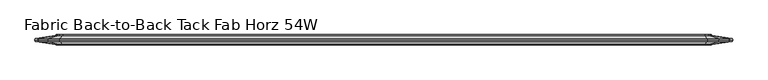
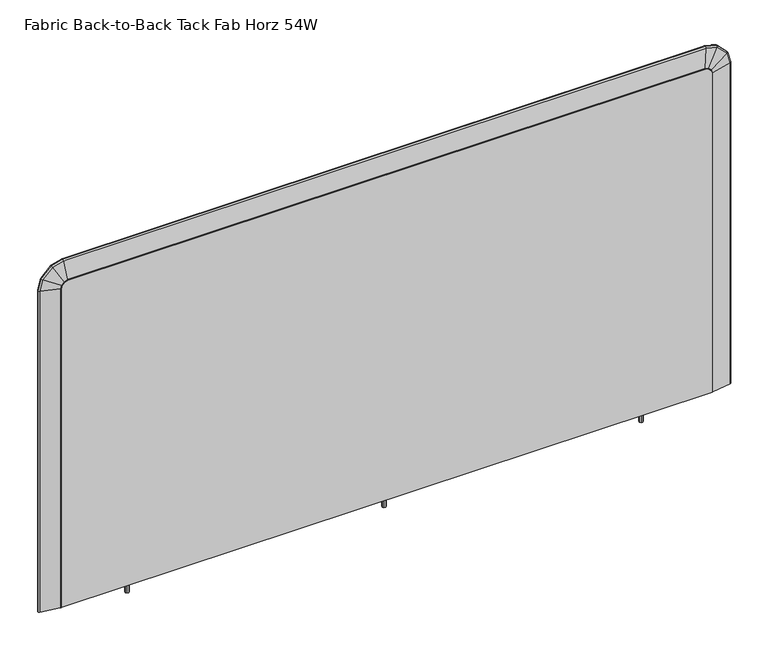
"""IFC4 building model written with IfcOpenShell, lengths in millimetres: furniture geometry, Fabric Back-to-Back Tack Fab Horz 54W."""

import ifcopenshell
import ifcopenshell.guid

model = None  # the IFC model being written
_history = None  # IfcOwnerHistory: only IFC2X3 demands one
_inside = {}  # id of a spatial element -> (the spatial element, [elements in it])
_under = {}  # id of a project, library or spatial element -> (it, [spatial elements below it])
_declared = {}  # id of a project -> (the project, [libraries it declares])
_typed = {}  # id of a type object -> (the type object, [elements of that type])
_made_of = {}  # id of a material, layer set ... -> (it, [elements and type objects made of it])


def new_model(schema):
    """Start an empty IFC model of exactly this schema.

    Asked for "IFC4X3", IfcOpenShell would pick the latest addendum, in which some entities
    have other attributes; the version numbers below select the first issue.
    IFC2X3 requires an IfcOwnerHistory on every rooted entity: one is made here for all.
    """
    global model, _history
    if schema == "IFC4X3":
        model = ifcopenshell.file(schema_version=(4, 3, 0, 0))
    else:
        model = ifcopenshell.file(schema=schema)
    _inside.clear()
    _under.clear()
    _declared.clear()
    _typed.clear()
    _made_of.clear()
    _history = None
    if model.schema == "IFC2X3":
        org = make("IfcOrganization", Name="unknown")
        user = make(
            "IfcPersonAndOrganization",
            ThePerson=make("IfcPerson", FamilyName="unknown"),
            TheOrganization=org,
        )
        app = make(
            "IfcApplication",
            ApplicationDeveloper=org,
            Version="unknown",
            ApplicationFullName="unknown",
            ApplicationIdentifier="unknown",
        )
        _history = make(
            "IfcOwnerHistory",
            OwningUser=user,
            OwningApplication=app,
            ChangeAction="ADDED",
            CreationDate=0,
        )
    return model


def make(cls, **values):
    """One entity of the class cls with the attributes given. An attribute that is None is left unset."""
    return model.create_entity(
        cls, **{name: value for name, value in values.items() if value is not None}
    )


def rooted(cls, **values):
    """An entity with a GlobalId (a new one), such as an element, a storey or a relation."""
    return make(cls, GlobalId=ifcopenshell.guid.new(), OwnerHistory=_history, **values)


def si_unit(unit_type, name, prefix=None):
    """IfcSIUnit, for example si_unit("LENGTHUNIT", "METRE", prefix="MILLI")."""
    return make("IfcSIUnit", UnitType=unit_type, Prefix=prefix, Name=name)


def assignment(units):
    """IfcUnitAssignment: the units of a project."""
    return None if units is None else make("IfcUnitAssignment", Units=units)


def point(xyz):
    """IfcCartesianPoint."""
    return None if xyz is None else make("IfcCartesianPoint", Coordinates=xyz)


def direction(xyz):
    """IfcDirection."""
    return None if xyz is None else make("IfcDirection", DirectionRatios=xyz)


def frame(location, z_axis=None, x_axis=None):
    """IfcAxis2Placement3D, a coordinate frame: its origin and axes. An axis left out is left unset."""
    return make(
        "IfcAxis2Placement3D",
        Location=point(location),
        Axis=direction(z_axis),
        RefDirection=direction(x_axis),
    )


def origin():
    """The frame at (0, 0, 0) with its axes left unset."""
    return frame((0.0, 0.0, 0.0))


def place(relative_to, where):
    """IfcLocalPlacement: puts the frame where relative to a parent placement (None: the world)."""
    return make(
        "IfcLocalPlacement", PlacementRelTo=relative_to, RelativePlacement=where
    )


def context(
    kind, dimensions, precision=None, world=None, true_north=None, identifier=None
):
    """IfcGeometricRepresentationContext, for example the 3D "Model" context."""
    return make(
        "IfcGeometricRepresentationContext",
        ContextIdentifier=identifier,
        ContextType=kind,
        CoordinateSpaceDimension=dimensions,
        Precision=precision,
        WorldCoordinateSystem=world,
        TrueNorth=true_north,
    )


def project(units=None, contexts=None):
    """IfcProject with its units and contexts."""
    return rooted(
        "IfcProject",
        Name="project",
        RepresentationContexts=contexts,
        UnitsInContext=assignment(units),
    )


def spatial(cls, under=None, at=None, **own):
    """A site, building, storey or space (cls), placed at a placement, below another one or the project."""
    s = rooted(cls, ObjectPlacement=at, **own)
    if under is not None:
        _under.setdefault(under.id(), (under, []))[1].append(s)
    return s


def polyline(points):
    """IfcPolyline through the points."""
    return make("IfcPolyline", Points=[point(p) for p in points])


def circle_curve(where, radius):
    """IfcCircle in the frame where."""
    return make("IfcCircle", Position=where, Radius=radius)


def ellipse_curve(where, semi_axis1, semi_axis2):
    """IfcEllipse in the frame where."""
    return make(
        "IfcEllipse", Position=where, SemiAxis1=semi_axis1, SemiAxis2=semi_axis2
    )


def outline(outer, holes=None, kind="AREA"):
    """IfcArbitraryClosedProfileDef: a profile drawn as a closed curve; with holes, ...WithVoids."""
    if holes is None:
        return make("IfcArbitraryClosedProfileDef", ProfileType=kind, OuterCurve=outer)
    return make(
        "IfcArbitraryProfileDefWithVoids",
        ProfileType=kind,
        OuterCurve=outer,
        InnerCurves=holes,
    )


def extrude(swept, where, along, depth):
    """IfcExtrudedAreaSolid: the profile swept, set in the frame where, extruded along a direction by depth."""
    return make(
        "IfcExtrudedAreaSolid",
        SweptArea=swept,
        Position=where,
        ExtrudedDirection=direction(along),
        Depth=depth,
    )


def faces_of(points, faces, orient=None, outer=None):
    """IfcFace entities. A face is a list of loops; a loop is a list of indices into points, from 0.

    orient and outer hold one flag for each loop. By default every Orientation is true, the
    first loop of a face is its IfcFaceOuterBound and the others are IfcFaceBound.
    """
    made = []
    for i, loops in enumerate(faces):
        bounds = []
        for j, loop in enumerate(loops):
            is_outer = j == 0 if outer is None else outer[i][j]
            bounds.append(
                make(
                    "IfcFaceOuterBound" if is_outer else "IfcFaceBound",
                    Bound=make("IfcPolyLoop", Polygon=[points[k] for k in loop]),
                    Orientation=True if orient is None else orient[i][j],
                )
            )
        made.append(make("IfcFace", Bounds=bounds))
    return made


def faceted_brep(points, faces, orient=None, outer=None, voids=None):
    """IfcFacetedBrep: a solid bounded by flat faces; with voids (closed shells), ...WithVoids."""
    shared = [point(p) for p in points]
    hull = make("IfcClosedShell", CfsFaces=faces_of(shared, faces, orient, outer))
    if voids is None:
        return make("IfcFacetedBrep", Outer=hull)
    return make(
        "IfcFacetedBrepWithVoids",
        Outer=hull,
        Voids=[
            make(cls, CfsFaces=faces_of(shared, fs, o, b)) for cls, fs, o, b in voids
        ],
    )


def shape(context_of_items, identifier, shape_type, items):
    """IfcShapeRepresentation: the items that make up one representation, for example the "Body"."""
    return make(
        "IfcShapeRepresentation",
        ContextOfItems=context_of_items,
        RepresentationIdentifier=identifier,
        RepresentationType=shape_type,
        Items=items,
    )


def source(mapping_origin, context_of_items, identifier, shape_type, items):
    """IfcRepresentationMap: a shape defined once, which mapped items show again and again."""
    return make(
        "IfcRepresentationMap",
        MappingOrigin=mapping_origin,
        MappedRepresentation=shape(context_of_items, identifier, shape_type, items),
    )


def transform(
    local_origin,
    x_axis=None,
    y_axis=None,
    z_axis=None,
    scale=None,
    scale2=None,
    scale3=None,
    uniform=True,
):
    """IfcCartesianTransformationOperator3D, or its non-uniform kind. x_axis, y_axis, z_axis: its Axis1, 2, 3."""
    if uniform:
        return make(
            "IfcCartesianTransformationOperator3D",
            Axis1=direction(x_axis),
            Axis2=direction(y_axis),
            LocalOrigin=point(local_origin),
            Scale=scale,
            Axis3=direction(z_axis),
        )
    return make(
        "IfcCartesianTransformationOperator3DnonUniform",
        Axis1=direction(x_axis),
        Axis2=direction(y_axis),
        LocalOrigin=point(local_origin),
        Scale=scale,
        Axis3=direction(z_axis),
        Scale2=scale2,
        Scale3=scale3,
    )


def mapped(mapping_source, mapping_target):
    """IfcMappedItem: shows the shape of a source again, moved by a transform."""
    return make(
        "IfcMappedItem", MappingSource=mapping_source, MappingTarget=mapping_target
    )


def made_of(thing, what):
    """Note that an element or type object is made of a material, layer set ...; save() writes the relation."""
    if what is not None:
        _made_of.setdefault(what.id(), (what, []))[1].append(thing)
    return thing


def element(
    cls,
    number,
    at=None,
    inside=None,
    cuts=None,
    type_object=None,
    material=None,
    context=None,
    identifier="Body",
    shape_type=None,
    held_by="IfcProductDefinitionShape",
    body=None,
    shapes=None,
    **own,
):
    """One element of the class cls, such as IfcWall. Its Tag is "e" and its number.

    at: its placement. inside: the storey or other place that contains it. cuts: it is an
    opening in that element (IfcRelVoidsElement). A single representation is given by context,
    identifier, shape_type and body (its items); several are given by shapes. held_by: the class
    of the entity that holds the representations. save() writes the other relations.
    """
    e = rooted(cls, Tag="e%d" % number, ObjectPlacement=at, **own)
    if body is not None:
        shapes = [shape(context, identifier, shape_type, body)]
    if shapes is not None:
        e.Representation = make(held_by, Representations=shapes)
    if inside is not None:
        _inside.setdefault(inside.id(), (inside, []))[1].append(e)
    if cuts is not None:
        rooted(
            "IfcRelVoidsElement", RelatingBuildingElement=cuts, RelatedOpeningElement=e
        )
    if type_object is not None:
        _typed.setdefault(type_object.id(), (type_object, []))[1].append(e)
    return made_of(e, material)


def aggregate(whole, parts):
    """IfcRelAggregates: a whole, such as a stair, and the parts it consists of."""
    return rooted("IfcRelAggregates", RelatingObject=whole, RelatedObjects=parts)


def save(model, path):
    """Write the relations noted so far, then the file.

    IfcRelAggregates (storeys below a building ...), IfcRelContainedInSpatialStructure (elements
    in a storey), IfcRelDefinesByType, IfcRelAssociatesMaterial and IfcRelDeclares: one each for
    every whole, place, type object, material and project.
    """
    for whole, parts in _under.values():
        aggregate(whole, parts)
    for where, things in _inside.values():
        rooted(
            "IfcRelContainedInSpatialStructure",
            RelatedElements=things,
            RelatingStructure=where,
        )
    for kind, things in _typed.values():
        rooted("IfcRelDefinesByType", RelatedObjects=things, RelatingType=kind)
    for what, things in _made_of.values():
        rooted("IfcRelAssociatesMaterial", RelatedObjects=things, RelatingMaterial=what)
    for by, libraries in _declared.values():
        rooted("IfcRelDeclares", RelatingContext=by, RelatedDefinitions=libraries)
    model.write(path)


def plane_surface(at):
    """IfcPlane: the flat surface through the origin of the frame at, square to its z axis."""
    return make("IfcPlane", Position=at)


def cylinder_surface(at, radius):
    """IfcCylindricalSurface: all points at the distance radius from the z axis of the frame at."""
    return make("IfcCylindricalSurface", Position=at, Radius=radius)


def advanced_brep(points, edges, surfaces, faces):
    """IfcAdvancedBrep: a solid bounded by faces that lie on surfaces and meet in shared edges.

    An edge is (start, end): straight between two places in points (the first is 0);
    or (start, end, curve); or (start, end, curve, False) where it runs against its curve.
    A face is (place in surfaces, loops), or (place, loops, False) where it looks against
    its surface's normal. A loop lists edges by number (the first is 1), with a minus sign
    where the edge is run from its end to its start. The first loop is the outer one.
    """
    corners = [point(p) for p in points]
    vertices = [make("IfcVertexPoint", VertexGeometry=c) for c in corners]
    made = []
    for start, end, *more in edges:
        made.append(
            make(
                "IfcEdgeCurve",
                EdgeStart=vertices[start],
                EdgeEnd=vertices[end],
                EdgeGeometry=more[0] if more else make("IfcPolyline", Points=[corners[start], corners[end]]),
                SameSense=more[1] if len(more) > 1 else True,
            )
        )
    hull = []
    for where, loops, *sense in faces:
        bounds = []
        for j, loop in enumerate(loops):
            ring = [make("IfcOrientedEdge", EdgeElement=made[abs(k) - 1], Orientation=k > 0) for k in loop]
            bounds.append(
                make(
                    "IfcFaceOuterBound" if j == 0 else "IfcFaceBound",
                    Bound=make("IfcEdgeLoop", EdgeList=ring),
                    Orientation=True,
                )
            )
        hull.append(make("IfcAdvancedFace", Bounds=bounds, FaceSurface=surfaces[where], SameSense=sense[0] if sense else True))
    return make("IfcAdvancedBrep", Outer=make("IfcClosedShell", CfsFaces=hull))


def fabric_back_to_back_tack_fab_horz_54w_6b282f95(model_context):
    return source(origin(), model_context, "Body", "SolidModel", [
        faceted_brep([(182.0608047, -24.5352982, 459.8223955), (182.0608047, -38.5848849, 459.8223955), (161.465212, -38.5848849, 459.8223955), (161.465212, -24.5352982, 459.8223955), (161.465212, -24.5352982, 453.564432), (182.0608047, -24.5352982, 453.564432), (161.465212, -38.5848849, 453.564432), (182.0608047, -38.5848849, 453.564432), (41.35374, -21.6312787, 453.564432), (41.35374, -21.6312787, 1111.5510233), (43.0552145, -21.6312787, 1117.9009991), (47.7037408, -21.6312787, 1122.5494799), (54.0537392, -21.6312787, 1124.2509748), (1298.6537158, -21.6312787, 1124.2509748), (1305.0036916, -21.6312787, 1122.5494799), (1309.652245, -21.6312787, 1117.9009991), (1311.35374, -21.6312787, 1111.5510233), (1311.35374, -21.6312787, 453.564432), (41.35374, -41.6655198, 453.564432), (1311.35374, -41.6655198, 453.564432), (1311.35374, -41.6655198, 1111.5510233), (1309.652245, -41.6655198, 1117.9009991), (1305.0036916, -41.6655198, 1122.5494799), (1298.6537158, -41.6655198, 1124.2509748), (54.0537392, -41.6655198, 1124.2509748), (47.7037408, -41.6655198, 1122.5494799), (43.0552145, -41.6655198, 1117.9009991), (41.35374, -41.6655198, 1111.5510233), (688.8618407, -24.5352982, 453.564432), (663.491048, -24.5352982, 453.564432), (663.491048, -38.5848849, 453.564432), (688.8618407, -38.5848849, 453.564432), (1191.0452878, -24.5352982, 453.564432), (1165.6744951, -24.5352982, 453.564432), (1165.6744951, -38.5848849, 453.564432), (1191.0452878, -38.5848849, 453.564432), (663.491048, -24.5352982, 459.8223955), (688.8618407, -24.5352982, 459.8223955), (688.8618407, -38.5848849, 459.8223955), (663.491048, -38.5848849, 459.8223955), (1165.6744951, -24.5352982, 459.8223955), (1191.0452878, -24.5352982, 459.8223955), (1191.0452878, -38.5848849, 459.8223955), (1165.6744951, -38.5848849, 459.8223955)], [[[0, 1, 2, 3]], [[0, 3, 4, 5]], [[3, 2, 6, 4]], [[2, 1, 7, 6]], [[1, 0, 5, 7]], [[8, 9, 10, 11, 12, 13, 14, 15, 16, 17]], [[18, 19, 20, 21, 22, 23, 24, 25, 26, 27]], [[9, 8, 18, 27]], [[10, 9, 27, 26]], [[11, 10, 26, 25]], [[12, 11, 25, 24]], [[13, 12, 24, 23]], [[14, 13, 23, 22]], [[15, 14, 22, 21]], [[16, 15, 21, 20]], [[17, 16, 20, 19]], [[8, 17, 19, 18], [5, 4, 6, 7], [28, 29, 30, 31], [32, 33, 34, 35]], [[36, 37, 38, 39]], [[37, 36, 29, 28]], [[38, 37, 28, 31]], [[39, 38, 31, 30]], [[36, 39, 30, 29]], [[40, 41, 42, 43]], [[41, 40, 33, 32]], [[42, 41, 32, 35]], [[43, 42, 35, 34]], [[40, 43, 34, 33]]]),
        extrude(outline(polyline([(1177.4115069, -27.7980412), (1180.4230782, -28.1945209), (1182.2722204, -30.6043713), (1181.8757329, -33.6159343), (1179.4658873, -35.4650775), (1176.454316, -35.0685977), (1174.6051738, -32.6587474), (1175.0016613, -29.6471844), (1177.4115069, -27.7980412)]), holes=[polyline([(1177.4826636, -28.0636008), (1175.2397553, -29.7846483), (1174.8707337, -32.5875912), (1176.5917799, -34.8305034), (1179.3947306, -35.1995178), (1181.6376389, -33.4784704), (1182.0066605, -30.6755274), (1180.2856143, -28.4326153), (1177.4826636, -28.0636008)])]), frame((0.0, 0.0, 433.5018), z_axis=(0.0, 0.0, 1.0), x_axis=(1.0, 0.0, 0.0)), (0.0, 0.0, 1.0), 26.3205955),
        extrude(outline(polyline([(173.0545058, -27.7980412), (176.0660771, -28.1945209), (177.9152193, -30.6043713), (177.5187318, -33.6159343), (175.1088862, -35.4650775), (172.0973149, -35.0685977), (170.2481727, -32.6587474), (170.6446602, -29.6471844), (173.0545058, -27.7980412)]), holes=[polyline([(173.1256625, -28.0636008), (170.8827542, -29.7846483), (170.5137326, -32.5875912), (172.2347788, -34.8305034), (175.0377295, -35.1995178), (177.2806378, -33.4784704), (177.6496594, -30.6755274), (175.9286132, -28.4326153), (173.1256625, -28.0636008)])]), frame((0.0, 0.0, 433.5018), z_axis=(0.0, 0.0, 1.0), x_axis=(1.0, 0.0, 0.0)), (0.0, 0.0, 1.0), 26.3205955),
        extrude(outline(polyline([(675.2280597, -27.7980412), (678.239631, -28.1945209), (680.0887732, -30.6043713), (679.6922858, -33.6159343), (677.2824401, -35.4650775), (674.2708689, -35.0685977), (672.4217266, -32.6587474), (672.8182141, -29.6471844), (675.2280597, -27.7980412)]), holes=[polyline([(675.2992164, -28.0636008), (673.0563081, -29.7846483), (672.6872866, -32.5875912), (674.4083327, -34.8305034), (677.2112834, -35.1995178), (679.4541917, -33.4784704), (679.8232133, -30.6755274), (678.1021672, -28.4326153), (675.2992164, -28.0636008)])]), frame((0.0, 0.0, 433.5018), z_axis=(0.0, 0.0, 1.0), x_axis=(1.0, 0.0, 0.0)), (0.0, 0.0, 1.0), 26.3205955),
        advanced_brep(
        [(41.35374, -40.3955198, 452.770682), (40.527722, -40.3955198, 452.770682), (39.2303702, -40.3003466, 452.770682), (2.1950955, -34.8371601, 452.770682), (0.2344281, -32.1683735, 452.770682), (1.4359994, -31.9712076, 452.770682), (0.2308623, -31.6483991, 452.770682), (2.1917528, -29.0070421, 452.770682), (39.1963882, -23.5483754, 452.770682), (40.4937399, -23.4532022, 452.770682), (41.35374, -23.4532022, 452.770682), (1311.35374, -40.3955198, 452.770682), (1311.35374, -23.4532022, 452.770682), (1312.2137401, -23.4532022, 452.770682), (1313.5110918, -23.5483754, 452.770682), (1350.5157272, -29.0070421, 452.770682), (1352.4766177, -31.6483991, 452.770682), (1351.2714806, -31.9712076, 452.770682), (1352.4730519, -32.1683735, 452.770682), (1350.5123845, -34.8371601, 452.770682), (1313.4771098, -40.3003466, 452.770682), (1312.179758, -40.3955198, 452.770682), (1311.35374, -40.3955198, 1110.7572733), (1311.35374, -23.4532022, 1110.7572733), (1309.652245, -23.4532022, 1117.1072491), (1305.0036916, -23.4532022, 1121.7557299), (1298.6537158, -23.4532022, 1123.4572248), (54.0537392, -23.4532022, 1123.4572248), (47.7037408, -23.4532022, 1121.7557299), (43.0552145, -23.4532022, 1117.1072491), (41.35374, -23.4532022, 1110.7572733), (40.4937399, -23.4532022, 1110.8704947), (42.2841603, -23.4532022, 1117.5524202), (47.2585733, -23.4532022, 1122.5267846), (53.9405169, -23.4532022, 1124.3172249), (1298.7669385, -23.4532022, 1124.3172249), (1305.448858, -23.4532022, 1122.5267846), (1310.4232979, -23.4532022, 1117.5524225), (1312.2137401, -23.4532022, 1110.870496), (1313.5110918, -23.5483754, 1111.0412979), (1350.5157272, -29.0070421, 1115.9131172), (1352.4766177, -31.6483991, 1116.1712769), (1351.2714806, -31.9712076, 1116.0126154), (1352.4730519, -32.1683735, 1116.1708075), (1350.5123845, -34.8371601, 1115.9126772), (1313.4771098, -40.3003466, 1111.036824), (1312.179758, -40.3955198, 1110.8660221), (1310.3928305, -40.3955198, 1117.5348319), (1305.4312677, -40.3955198, 1122.4963171), (1298.7624646, -40.3955198, 1124.2832429), (53.9449908, -40.3955198, 1124.2832429), (47.2761636, -40.3955198, 1122.4963171), (42.3146278, -40.3955198, 1117.5348297), (40.527722, -40.3955198, 1110.8660209), (41.35374, -40.3955198, 1110.7572733), (43.0552145, -40.3955198, 1117.1072491), (47.7037408, -40.3955198, 1121.7557299), (54.0537392, -40.3955198, 1123.4572248), (1298.6537158, -40.3955198, 1123.4572248), (1305.0036916, -40.3955198, 1121.7557299), (1309.652245, -40.3955198, 1117.1072491), (1311.5864685, -23.5483754, 1118.2239882), (1344.7638272, -29.0070421, 1137.3791963), (1346.5219087, -31.6483991, 1138.3942385), (1345.4414153, -31.9712076, 1137.7704072), (1346.5187118, -32.1683735, 1138.3923927), (1344.7608302, -34.8371601, 1137.377466), (1311.5560011, -40.3003466, 1118.2063976), (1306.1204132, -23.5483754, 1123.689958), (1325.2753219, -29.0070421, 1156.8673969), (1326.2903482, -31.6483991, 1158.6254827), (1325.6665266, -31.9712076, 1157.5449867), (1326.2885024, -32.1683735, 1158.6222858), (1325.2735916, -34.8371601, 1156.8643999), (1306.1028229, -40.3003466, 1123.6594906), (1298.9377404, -23.5483754, 1125.6145767), (1303.8095597, -29.0070421, 1162.619212), (1304.0677194, -31.6483991, 1164.5801025), (1303.9090579, -31.9712076, 1163.3749655), (1304.06725, -32.1683735, 1164.5765368), (1303.8091197, -34.8371601, 1162.6158693), (1298.9332665, -40.3003466, 1125.5805946), (53.7697156, -23.5483754, 1125.6145767), (48.8979131, -29.0070421, 1162.619212), (48.6397543, -31.6483991, 1164.5801025), (48.7984152, -31.9712076, 1163.3749655), (48.6402238, -32.1683735, 1164.5765368), (48.8983532, -34.8371601, 1162.6158693), (53.7741895, -40.3003466, 1125.5805946), (46.5870166, -23.5483754, 1123.6899579), (27.4320643, -29.0070421, 1156.8673943), (26.4170356, -31.6483991, 1158.62548), (27.0408586, -31.9712076, 1157.544984), (26.4188814, -32.1683735, 1158.622283), (27.4337946, -34.8371601, 1156.8643973), (46.6046069, -40.3003466, 1123.6594904), (41.1209877, -23.5483754, 1118.2239824), (7.9435719, -29.0070421, 1137.3790923), (6.1854873, -31.6483991, 1138.3941293), (7.2659826, -31.9712076, 1137.7703012), (6.1886843, -32.1683735, 1138.3922835), (7.9465689, -34.8371601, 1137.377362), (41.1514552, -40.3003466, 1118.2063919), (39.1963882, -23.5483754, 1111.0412946), (2.1917528, -29.0070421, 1115.9130574), (0.2308623, -31.6483991, 1116.1712141), (1.4359994, -31.9712076, 1116.0125545), (0.2344281, -32.1683735, 1116.1707447), (2.1950955, -34.8371601, 1115.9126174), (39.2303702, -40.3003466, 1111.0368208)],
        [
            (0, 1),
            (1, 2, circle_curve(frame((40.527722, -31.5055198, 452.770682), z_axis=(0.0, 0.0, -1.0), x_axis=(1.0, 0.0, 0.0)), 8.89)),
            (2, 3),
            (3, 4, circle_curve(frame((2.5350157, -32.5328209, 452.770682), z_axis=(0.0, 0.0, -1.0), x_axis=(1.0, 0.0, 0.0)), 2.3292757)),
            (4, 5),
            (5, 6),
            (6, 7, circle_curve(frame((2.5311018, -31.3075093, 452.770682), z_axis=(0.0, 0.0, -1.0), x_axis=(1.0, 0.0, 0.0)), 2.3253618)),
            (7, 8),
            (8, 9, circle_curve(frame((40.4937399, -32.3432022, 452.770682), z_axis=(0.0, 0.0, -1.0), x_axis=(1.0, 0.0, 0.0)), 8.89)),
            (9, 10),
            (10, 0),
            (11, 12),
            (12, 13),
            (13, 14, circle_curve(frame((1312.2137401, -32.3432022, 452.770682), z_axis=(0.0, 0.0, -1.0), x_axis=(-1.0, 0.0, 0.0)), 8.89)),
            (14, 15),
            (15, 16, circle_curve(frame((1350.1763782, -31.3075093, 452.770682), z_axis=(0.0, 0.0, -1.0), x_axis=(-1.0, 0.0, 0.0)), 2.3253618)),
            (16, 17),
            (17, 18),
            (18, 19, circle_curve(frame((1350.1724643, -32.5328209, 452.770682), z_axis=(0.0, 0.0, -1.0), x_axis=(-1.0, 0.0, 0.0)), 2.3292757)),
            (19, 20),
            (20, 21, circle_curve(frame((1312.179758, -31.5055198, 452.770682), z_axis=(0.0, 0.0, -1.0), x_axis=(-1.0, 0.0, 0.0)), 8.89)),
            (21, 11),
            (11, 22),
            (22, 23),
            (23, 12),
            (23, 24),
            (24, 25),
            (25, 26),
            (26, 27),
            (27, 28),
            (28, 29),
            (29, 30),
            (30, 10),
            (9, 31),
            (31, 32),
            (32, 33),
            (33, 34),
            (34, 35),
            (35, 36),
            (36, 37),
            (37, 38),
            (38, 13),
            (38, 39, ellipse_curve(frame((1312.2137401, -32.3432022, 1110.870496), z_axis=(0.1305279474874437, 0.0, -0.9914446302868937), x_axis=(-0.9914446302868937, 0.0, -0.13052794748744298)), 8.9667135, 8.89)),
            (39, 14),
            (39, 40),
            (40, 15),
            (40, 41, ellipse_curve(frame((1350.1763782, -31.3075093, 1115.8684405), z_axis=(0.1305279474874437, 0.0, -0.9914446302868937), x_axis=(-0.9914446302868937, 0.0, -0.13052794748744298)), 2.3454278, 2.3253618)),
            (41, 16),
            (41, 42),
            (42, 17),
            (42, 43),
            (43, 18),
            (43, 44, ellipse_curve(frame((1350.1724643, -32.5328209, 1115.8679252), z_axis=(0.1305279474874437, 0.0, -0.9914446302868937), x_axis=(-0.9914446302868937, 0.0, -0.13052794748744298)), 2.3493754, 2.3292757)),
            (44, 19),
            (44, 45),
            (45, 20),
            (45, 46, ellipse_curve(frame((1312.179758, -31.5055198, 1110.8660221), z_axis=(0.1305279474874437, 0.0, -0.9914446302868937), x_axis=(-0.9914446302868937, 0.0, -0.13052794748744298)), 8.9667135, 8.89)),
            (46, 21),
            (46, 47),
            (47, 48),
            (48, 49),
            (49, 50),
            (50, 51),
            (51, 52),
            (52, 53),
            (53, 1),
            (0, 54),
            (54, 55),
            (55, 56),
            (56, 57),
            (57, 58),
            (58, 59),
            (59, 60),
            (60, 22),
            (60, 24),
            (37, 61, ellipse_curve(frame((1310.4232979, -32.3432022, 1117.5524225), z_axis=(0.5000049178456961, 0.0, -0.8660225644462844), x_axis=(-0.8660225644462847, 0.0, -0.5000049178456953)), 9.2036105, 8.89)),
            (61, 39),
            (61, 62),
            (62, 40),
            (62, 63, ellipse_curve(frame((1344.459576, -31.3075093, 1137.2035345), z_axis=(0.5000049178456961, 0.0, -0.8660225644462844), x_axis=(-0.8660225644462847, 0.0, -0.5000049178456953)), 2.407393, 2.3253618)),
            (63, 41),
            (63, 64),
            (64, 42),
            (64, 65),
            (65, 43),
            (65, 66, ellipse_curve(frame((1344.456067, -32.5328209, 1137.2015086), z_axis=(0.5000049178456961, 0.0, -0.8660225644462844), x_axis=(-0.8660225644462847, 0.0, -0.5000049178456953)), 2.411445, 2.3292757)),
            (66, 44),
            (66, 67),
            (67, 45),
            (67, 47, ellipse_curve(frame((1310.3928305, -31.5055198, 1117.5348319), z_axis=(0.5000049178456961, 0.0, -0.8660225644462844), x_axis=(-0.8660225644462847, 0.0, -0.5000049178456953)), 9.2036105, 8.89)),
            (59, 25),
            (36, 68, ellipse_curve(frame((1305.448858, -32.3432022, 1122.5267846), z_axis=(0.8660264726880769, 0.0, -0.4999981486000199), x_axis=(-0.49999814860001957, 0.0, -0.8660264726880771)), 9.2035912, 8.89)),
            (68, 61),
            (68, 69),
            (69, 62),
            (69, 70, ellipse_curve(frame((1325.0996629, -31.3075093, 1156.5631451), z_axis=(0.8660264726880769, 0.0, -0.4999981486000199), x_axis=(-0.49999814860001957, 0.0, -0.8660264726880771)), 2.407388, 2.3253618)),
            (70, 63),
            (70, 71),
            (71, 64),
            (71, 72),
            (72, 65),
            (72, 73, ellipse_curve(frame((1325.0976369, -32.5328209, 1156.559636), z_axis=(0.8660264726880769, 0.0, -0.4999981486000199), x_axis=(-0.49999814860001957, 0.0, -0.8660264726880771)), 2.4114399, 2.3292757)),
            (73, 66),
            (73, 74),
            (74, 67),
            (74, 48, ellipse_curve(frame((1305.4312677, -31.5055198, 1122.4963171), z_axis=(0.8660264726880769, 0.0, -0.4999981486000199), x_axis=(-0.49999814860001957, 0.0, -0.8660264726880771)), 9.2035912, 8.89)),
            (58, 26),
            (35, 75, ellipse_curve(frame((1298.7669385, -32.3432022, 1124.3172249), z_axis=(0.9914446302856296, 0.0, -0.1305279474970452), x_axis=(-0.13052794749704538, 0.0, -0.9914446302856295)), 8.9667135, 8.89)),
            (75, 68),
            (75, 76),
            (76, 69),
            (76, 77, ellipse_curve(frame((1303.764883, -31.3075093, 1162.2798631), z_axis=(0.9914446302856296, 0.0, -0.1305279474970452), x_axis=(-0.13052794749704538, 0.0, -0.9914446302856295)), 2.3454278, 2.3253618)),
            (77, 70),
            (77, 78),
            (78, 71),
            (78, 79),
            (79, 72),
            (79, 80, ellipse_curve(frame((1303.7643677, -32.5328209, 1162.2759492), z_axis=(0.9914446302856296, 0.0, -0.1305279474970452), x_axis=(-0.13052794749704538, 0.0, -0.9914446302856295)), 2.3493754, 2.3292757)),
            (80, 73),
            (80, 81),
            (81, 74),
            (81, 49, ellipse_curve(frame((1298.7624646, -31.5055198, 1124.2832429), z_axis=(0.9914446302856296, 0.0, -0.1305279474970452), x_axis=(-0.13052794749704538, 0.0, -0.9914446302856295)), 8.9667135, 8.89)),
            (57, 27),
            (34, 82, ellipse_curve(frame((53.9405169, -32.3432022, 1124.3172249), z_axis=(0.9914446886366662, 0.0, 0.13052750428221627), x_axis=(0.13052750428221643, 0.0, -0.9914446886366662)), 8.966713, 8.89)),
            (82, 75),
            (82, 83),
            (83, 76),
            (83, 84, ellipse_curve(frame((48.9425897, -31.3075093, 1162.2798631), z_axis=(0.9914446886366662, 0.0, 0.13052750428221627), x_axis=(0.13052750428221643, 0.0, -0.9914446886366662)), 2.3454276, 2.3253618)),
            (84, 77),
            (84, 85),
            (85, 78),
            (85, 86),
            (86, 79),
            (86, 87, ellipse_curve(frame((48.943105, -32.5328209, 1162.2759492), z_axis=(0.9914446886366662, 0.0, 0.13052750428221627), x_axis=(0.13052750428221643, 0.0, -0.9914446886366662)), 2.3493753, 2.3292757)),
            (87, 80),
            (87, 88),
            (88, 81),
            (88, 50, ellipse_curve(frame((53.9449908, -31.5055198, 1124.2832429), z_axis=(0.9914446886366662, 0.0, 0.13052750428221627), x_axis=(0.13052750428221643, 0.0, -0.9914446886366662)), 8.966713, 8.89)),
            (56, 28),
            (33, 89, ellipse_curve(frame((47.2585733, -32.3432022, 1122.5267846), z_axis=(0.8660259634188125, 0.0, 0.49999903068357804), x_axis=(0.49999903068357804, 0.0, -0.8660259634188127)), 9.203596, 8.89)),
            (89, 82),
            (89, 90),
            (90, 83),
            (90, 91, ellipse_curve(frame((27.6077237, -31.3075093, 1156.5631424), z_axis=(0.8660259634188125, 0.0, 0.49999903068357804), x_axis=(0.49999903068357804, 0.0, -0.8660259634188127)), 2.4073892, 2.3253618)),
            (91, 84),
            (91, 92),
            (92, 85),
            (92, 93),
            (93, 86),
            (93, 94, ellipse_curve(frame((27.6097497, -32.5328209, 1156.5596333), z_axis=(0.8660259634188125, 0.0, 0.49999903068357804), x_axis=(0.49999903068357804, 0.0, -0.8660259634188127)), 2.4114412, 2.3292757)),
            (94, 87),
            (94, 95),
            (95, 88),
            (95, 51, ellipse_curve(frame((47.2761636, -31.5055198, 1122.4963171), z_axis=(0.8660259634188125, 0.0, 0.49999903068357804), x_axis=(0.49999903068357804, 0.0, -0.8660259634188127)), 9.203596, 8.89)),
            (55, 29),
            (32, 96, ellipse_curve(frame((42.2841603, -32.3432022, 1117.5524202), z_axis=(0.5000023482671837, 0.0, 0.8660240480075031), x_axis=(0.8660240480075027, 0.0, -0.5000023482671845)), 9.2036106, 8.89)),
            (96, 89),
            (96, 97),
            (97, 90),
            (97, 98, ellipse_curve(frame((8.2478236, -31.3075093, 1137.2034315), z_axis=(0.5000023482671837, 0.0, 0.8660240480075031), x_axis=(0.8660240480075027, 0.0, -0.5000023482671845)), 2.4073931, 2.3253618)),
            (98, 91),
            (98, 99),
            (99, 92),
            (99, 100),
            (100, 93),
            (100, 101, ellipse_curve(frame((8.2513326, -32.5328209, 1137.2014055), z_axis=(0.5000023482671837, 0.0, 0.8660240480075031), x_axis=(0.8660240480075027, 0.0, -0.5000023482671845)), 2.411445, 2.3292757)),
            (101, 94),
            (101, 102),
            (102, 95),
            (102, 52, ellipse_curve(frame((42.3146278, -31.5055198, 1117.5348297), z_axis=(0.5000023482671837, 0.0, 0.8660240480075031), x_axis=(0.8660240480075027, 0.0, -0.5000023482671845)), 9.2036106, 8.89)),
            (54, 30),
            (31, 103, ellipse_curve(frame((40.4937399, -32.3432022, 1110.8704947), z_axis=(0.13052645881328268, 0.0, 0.9914448262761093), x_axis=(0.9914448262761093, 0.0, -0.13052645881328304)), 8.9667118, 8.89)),
            (103, 96),
            (103, 104),
            (104, 97),
            (104, 105, ellipse_curve(frame((2.5311018, -31.3075093, 1115.8683812), z_axis=(0.13052645881328268, 0.0, 0.9914448262761093), x_axis=(0.9914448262761093, 0.0, -0.13052645881328304)), 2.3454273, 2.3253618)),
            (105, 98),
            (105, 106),
            (106, 99),
            (106, 107),
            (107, 100),
            (107, 108, ellipse_curve(frame((2.5350157, -32.5328209, 1115.8678659), z_axis=(0.13052645881328268, 0.0, 0.9914448262761093), x_axis=(0.9914448262761093, 0.0, -0.13052645881328304)), 2.349375, 2.3292757)),
            (108, 101),
            (108, 109),
            (109, 102),
            (109, 53, ellipse_curve(frame((40.527722, -31.5055198, 1110.8660209), z_axis=(0.13052645881328268, 0.0, 0.9914448262761093), x_axis=(0.9914448262761093, 0.0, -0.13052645881328304)), 8.9667118, 8.89)),
            (8, 103),
            (7, 104),
            (6, 105),
            (5, 106),
            (4, 107),
            (3, 108),
            (2, 109),
        ],
        [
            plane_surface(frame((41.35374, -22.3842497, 452.770682), z_axis=(0.0, 0.0, -1.0), x_axis=(0.0, -1.0, 0.0))),
            plane_surface(frame((1311.35374, -22.3842497, 452.770682), z_axis=(0.0, 0.0, -1.0), x_axis=(0.0, -1.0, 0.0))),
            plane_surface(frame((1311.35374, -40.3955198, 452.770682), z_axis=(-1.0, 0.0, 0.0), x_axis=(0.0, 0.0, 1.0))),
            plane_surface(frame((1311.35374, -23.4532022, 452.770682), z_axis=(0.0, 1.0, 0.0), x_axis=(0.0, 0.0, 1.0))),
            cylinder_surface(frame((1312.2137401, -32.3432022, 452.770682), z_axis=(0.0, 0.0, -1.0), x_axis=(-1.0, 0.0, 0.0)), 8.89),
            plane_surface(frame((1313.5110918, -23.5483754, 452.770682), z_axis=(0.14593382959754853, 0.989294353253365, 0.0), x_axis=(0.0, 0.0, 1.0))),
            cylinder_surface(frame((1350.1763782, -31.3075093, 452.770682), z_axis=(0.0, 0.0, -1.0), x_axis=(-1.0, 0.0, 0.0)), 2.3253618),
            plane_surface(frame((1352.4766177, -31.6483991, 452.770682), z_axis=(0.2587390196457306, -0.9659472654926698, 0.0), x_axis=(0.0, 0.0, 1.0))),
            plane_surface(frame((1351.2714806, -31.9712076, 452.770682), z_axis=(0.1619245654582498, 0.9868031389801905, 0.0), x_axis=(0.0, 0.0, 1.0))),
            cylinder_surface(frame((1350.1724643, -32.5328209, 452.770682), z_axis=(0.0, 0.0, -1.0), x_axis=(-1.0, 0.0, 0.0)), 2.3292757),
            plane_surface(frame((1350.5123845, -34.8371601, 452.770682), z_axis=(0.14593382959753973, -0.9892943532533662, 0.0), x_axis=(0.0, 0.0, 1.0))),
            cylinder_surface(frame((1312.179758, -31.5055198, 452.770682), z_axis=(0.0, 0.0, -1.0), x_axis=(-1.0, 0.0, 0.0)), 8.89),
            plane_surface(frame((1312.179758, -40.3955198, 452.770682), z_axis=(0.0, -1.0, 0.0), x_axis=(0.0, 0.0, 1.0))),
            plane_surface(frame((1311.35374, -40.3955198, 1110.7572733), z_axis=(-0.9659249098494345, 0.0, -0.25882246527757585), x_axis=(-0.25882246527757585, 0.0, 0.9659249098494345))),
            cylinder_surface(frame((1312.1844355, -32.3432022, 1110.9798606), z_axis=(0.25882246527759134, 0.0, -0.9659249098494304), x_axis=(-0.9659249098494304, 0.0, -0.25882246527759134)), 8.89),
            plane_surface(frame((1313.5110918, -23.5483754, 1111.0412979), z_axis=(0.1409611211979943, 0.9892943532533649, 0.03777095354383861), x_axis=(-0.2588224652775912, 0.0, 0.9659249098494304))),
            cylinder_surface(frame((1348.8534933, -31.3075093, 1120.8054442), z_axis=(0.25882246527759134, 0.0, -0.9659249098494304), x_axis=(-0.9659249098494304, 0.0, -0.25882246527759134)), 2.3253618),
            plane_surface(frame((1352.4766177, -31.6483991, 1116.1712769), z_axis=(0.24992246422583275, -0.96594726549267, 0.06696747092821195), x_axis=(-0.25882246527758473, 0.0, 0.9659249098494321))),
            plane_surface(frame((1351.2714806, -31.9712076, 1116.0126154), z_axis=(0.15640697129266798, 0.9868031389801906, 0.041909715220909), x_axis=(-0.25882246527759467, 0.0, 0.9659249098494295))),
            cylinder_surface(frame((1348.8497128, -32.5328209, 1120.8044312), z_axis=(0.25882246527759134, 0.0, -0.9659249098494304), x_axis=(-0.9659249098494304, 0.0, -0.25882246527759134)), 2.3292757),
            plane_surface(frame((1350.5123845, -34.8371601, 1115.9126772), z_axis=(0.14096112119798596, -0.9892943532533665, 0.037770953543832725), x_axis=(-0.2588224652775853, 0.0, 0.9659249098494319))),
            cylinder_surface(frame((1312.1516114, -31.5055198, 1110.9710653), z_axis=(0.25882246527759134, 0.0, -0.9659249098494304), x_axis=(-0.9659249098494304, 0.0, -0.25882246527759134)), 8.89),
            plane_surface(frame((1309.652245, -40.3955198, 1117.1072491), z_axis=(-0.7071012540864887, 0.0, -0.7071123082434041), x_axis=(-0.7071123082434041, 0.0, 0.7071012540864887))),
            cylinder_surface(frame((1310.2603522, -32.3432022, 1117.7153657), z_axis=(0.7071123082433939, 0.0, -0.707101254086499), x_axis=(-0.707101254086499, 0.0, -0.7071123082433939)), 8.89),
            plane_surface(frame((1311.5864685, -23.5483754, 1118.2239882), z_axis=(0.10318999392207223, 0.9892943532533649, 0.10319160709752197), x_axis=(-0.7071123082433924, 0.0, 0.7071012540865005))),
            cylinder_surface(frame((1337.1037812, -31.3075093, 1144.5592144), z_axis=(0.7071123082433939, 0.0, -0.707101254086499), x_axis=(-0.707101254086499, 0.0, -0.7071123082433939)), 2.3253618),
            plane_surface(frame((1346.5219087, -31.6483991, 1138.3942385), z_axis=(0.18295468527260808, -0.9659472654926701, 0.1829575454143232), x_axis=(-0.7071123082433907, 0.0, 0.7071012540865022))),
            plane_surface(frame((1345.4414153, -31.9712076, 1137.7704072), z_axis=(0.11449706330294016, 0.9868031389801903, 0.11449885324249279), x_axis=(-0.7071123082433916, 0.0, 0.7071012540865014))),
            cylinder_surface(frame((1337.1010137, -32.5328209, 1144.5564468), z_axis=(0.7071123082433939, 0.0, -0.707101254086499), x_axis=(-0.707101254086499, 0.0, -0.7071123082433939)), 2.3292757),
            plane_surface(frame((1344.7608302, -34.8371601, 1137.377466), z_axis=(0.10318999392206576, -0.9892943532533667, 0.10319160709751296), x_axis=(-0.7071123082433933, 0.0, 0.7071012540864996))),
            cylinder_surface(frame((1310.2363234, -31.5055198, 1117.6913366), z_axis=(0.7071123082433939, 0.0, -0.707101254086499), x_axis=(-0.707101254086499, 0.0, -0.7071123082433939)), 8.89),
            plane_surface(frame((1305.0036916, -40.3955198, 1121.7557299), z_axis=(-0.25882246529629893, 0.0, -0.9659249098444176), x_axis=(-0.9659249098444176, 0.0, 0.25882246529629893))),
            cylinder_surface(frame((1305.2262789, -32.3432022, 1122.5864254), z_axis=(0.9659249098444174, 0.0, -0.2588224652963002), x_axis=(-0.2588224652963002, 0.0, -0.9659249098444174)), 8.89),
            plane_surface(frame((1306.1204132, -23.5483754, 1123.689958), z_axis=(0.03777095354656809, 0.9892943532533648, 0.14096112119726395), x_axis=(-0.9659249098444171, 0.0, 0.25882246529630043))),
            cylinder_surface(frame((1315.0518625, -31.3075093, 1159.2554832), z_axis=(0.9659249098444174, 0.0, -0.2588224652963002), x_axis=(-0.2588224652963002, 0.0, -0.9659249098444174)), 2.3253618),
            plane_surface(frame((1326.2903482, -31.6483991, 1158.6254827), z_axis=(0.06696747093305538, -0.9659472654926702, 0.24992246422453393), x_axis=(-0.9659249098444174, 0.0, 0.2588224652962998))),
            plane_surface(frame((1325.6665266, -31.9712076, 1157.5449867), z_axis=(0.041909715223937063, 0.9868031389801901, 0.15640697129185765), x_axis=(-0.9659249098444166, 0.0, 0.2588224652963023))),
            cylinder_surface(frame((1315.0508495, -32.5328209, 1159.2517027), z_axis=(0.9659249098444174, 0.0, -0.2588224652963002), x_axis=(-0.2588224652963002, 0.0, -0.9659249098444174)), 2.3292757),
            plane_surface(frame((1325.2735916, -34.8371601, 1156.8643999), z_axis=(0.037770953546564366, -0.9892943532533667, 0.14096112119725296), x_axis=(-0.9659249098444185, 0.0, 0.2588224652962955))),
            cylinder_surface(frame((1305.2174836, -31.5055198, 1122.5536012), z_axis=(0.9659249098444174, 0.0, -0.2588224652963002), x_axis=(-0.2588224652963002, 0.0, -0.9659249098444174)), 8.89),
            plane_surface(frame((1298.6537158, -40.3955198, 1123.4572248), z_axis=(0.0, 0.0, -1.0), x_axis=(-1.0, 0.0, 0.0))),
            cylinder_surface(frame((1298.6537158, -32.3432022, 1124.3172249), z_axis=(1.0, 0.0, 0.0), x_axis=(0.0, 0.0, -1.0)), 8.89),
            plane_surface(frame((1298.9377404, -23.5483754, 1125.6145767), z_axis=(0.0, 0.9892943532533648, 0.1459338295975499), x_axis=(-1.0, 0.0, 0.0))),
            cylinder_surface(frame((1298.6537158, -31.3075093, 1162.2798631), z_axis=(1.0, 0.0, 0.0), x_axis=(0.0, 0.0, -1.0)), 2.3253618),
            plane_surface(frame((1304.0677194, -31.6483991, 1164.5801025), z_axis=(0.0, -0.9659472654926702, 0.25873901964572915), x_axis=(-1.0, 0.0, 0.0))),
            plane_surface(frame((1303.9090579, -31.9712076, 1163.3749655), z_axis=(0.0, 0.9868031389801902, 0.16192456545825118), x_axis=(-1.0, 0.0, 0.0))),
            cylinder_surface(frame((1298.6537158, -32.5328209, 1162.2759492), z_axis=(1.0, 0.0, 0.0), x_axis=(0.0, 0.0, -1.0)), 2.3292757),
            plane_surface(frame((1303.8091197, -34.8371601, 1162.6158693), z_axis=(0.0, -0.9892943532533665, 0.14593382959753828), x_axis=(-1.0, 0.0, 0.0))),
            cylinder_surface(frame((1298.6537158, -31.5055198, 1124.2832429), z_axis=(1.0, 0.0, 0.0), x_axis=(0.0, 0.0, -1.0)), 8.89),
            plane_surface(frame((54.0537392, -40.3955198, 1123.4572248), z_axis=(0.2588216016832134, 0.0, -0.9659251412517101), x_axis=(-0.9659251412517101, 0.0, -0.2588216016832134))),
            cylinder_surface(frame((53.8311526, -32.3432022, 1124.2879206), z_axis=(0.9659251412517121, 0.0, 0.2588216016832059), x_axis=(0.2588216016832059, 0.0, -0.9659251412517121)), 8.89),
            plane_surface(frame((53.7697156, -23.5483754, 1125.6145767), z_axis=(-0.037770827516200776, 0.9892943532533648, 0.140961154967417), x_axis=(-0.9659251412517141, 0.0, -0.2588216016831981))),
            cylinder_surface(frame((44.0056018, -31.3075093, 1160.9569872), z_axis=(0.9659251412517121, 0.0, 0.2588216016832059), x_axis=(0.2588216016832059, 0.0, -0.9659251412517121)), 2.3253618),
            plane_surface(frame((48.6397543, -31.6483991, 1164.5801025), z_axis=(-0.06696724748264893, -0.9659472654926701, 0.2499225240986308), x_axis=(-0.9659251412517132, 0.0, -0.25882160168320134))),
            plane_surface(frame((48.7984152, -31.9712076, 1163.3749655), z_axis=(-0.0419095753837622, 0.9868031389801903, 0.1564070087623832), x_axis=(-0.9659251412517113, 0.0, -0.2588216016832091))),
            cylinder_surface(frame((44.0066148, -32.5328209, 1160.9532066), z_axis=(0.9659251412517121, 0.0, 0.2588216016832059), x_axis=(0.2588216016832059, 0.0, -0.9659251412517121)), 2.3292757),
            plane_surface(frame((48.8983532, -34.8371601, 1162.6158693), z_axis=(-0.037770827516199264, -0.9892943532533666, 0.14096115496740536), x_axis=(-0.9659251412517115, 0.0, -0.2588216016832084))),
            cylinder_surface(frame((53.8399479, -31.5055198, 1124.2550964), z_axis=(0.9659251412517121, 0.0, 0.2588216016832059), x_axis=(0.2588216016832059, 0.0, -0.9659251412517121)), 8.89),
            plane_surface(frame((47.7037408, -40.3955198, 1121.7557299), z_axis=(0.707103326743919, 0.0, -0.7071102356123002), x_axis=(-0.7071102356123002, 0.0, -0.707103326743919))),
            cylinder_surface(frame((47.0956318, -32.3432022, 1122.3638447), z_axis=(0.7071102356123058, 0.0, 0.7071033267439134), x_axis=(0.7071033267439134, 0.0, -0.7071102356123058)), 8.89),
            plane_surface(frame((46.5870166, -23.5483754, 1123.6899579), z_axis=(-0.10319029639290701, 0.9892943532533649, 0.10319130463052908), x_axis=(-0.7071102356122985, 0.0, -0.7071033267439207))),
            cylinder_surface(frame((20.2521241, -31.3075093, 1149.2076147), z_axis=(0.7071102356123058, 0.0, 0.7071033267439134), x_axis=(0.7071033267439134, 0.0, -0.7071102356123058)), 2.3253618),
            plane_surface(frame((26.4170356, -31.6483991, 1158.62548), z_axis=(-0.18295522154995472, -0.9659472654926702, 0.18295700914378812), x_axis=(-0.7071102356123063, 0.0, -0.7071033267439127))),
            plane_surface(frame((27.0408586, -31.9712076, 1157.544984), z_axis=(-0.1144973989170909, 0.9868031389801903, 0.11449851763260482), x_axis=(-0.7071102356123045, 0.0, -0.7071033267439147))),
            cylinder_surface(frame((20.2548916, -32.5328209, 1149.2048472), z_axis=(0.7071102356123058, 0.0, 0.7071033267439134), x_axis=(0.7071033267439134, 0.0, -0.7071102356123058)), 2.3292757),
            plane_surface(frame((27.4337946, -34.8371601, 1156.8643973), z_axis=(-0.1031902963928999, -0.9892943532533667, 0.10319130463052073), x_axis=(-0.7071102356123068, 0.0, -0.7071033267439124))),
            cylinder_surface(frame((47.1196607, -31.5055198, 1122.3398157), z_axis=(0.7071102356123058, 0.0, 0.7071033267439134), x_axis=(0.7071033267439134, 0.0, -0.7071102356123058)), 8.89),
            plane_surface(frame((43.0552145, -40.3955198, 1117.1072491), z_axis=(0.9659256870993279, 0.0, -0.25881956456514527), x_axis=(-0.25881956456514527, 0.0, -0.9659256870993279))),
            cylinder_surface(frame((42.2245184, -32.3432022, 1117.3298339), z_axis=(0.25881956456514177, 0.0, 0.9659256870993289), x_axis=(0.9659256870993289, 0.0, -0.25881956456514177)), 8.89),
            plane_surface(frame((41.1209877, -23.5483754, 1118.2239824), z_axis=(-0.14096123462504845, 0.9892943532533649, 0.03777053023176259), x_axis=(-0.25881956456514377, 0.0, -0.9659256870993282))),
            cylinder_surface(frame((5.555431, -31.3075093, 1127.1553074), z_axis=(0.25881956456514177, 0.0, 0.9659256870993289), x_axis=(0.9659256870993289, 0.0, -0.25881956456514177)), 2.3253618),
            plane_surface(frame((6.1854873, -31.6483991, 1138.3941293), z_axis=(-0.24992266533070887, -0.9659472654926701, 0.06696672040071866), x_axis=(-0.25881956456514366, 0.0, -0.9659256870993284))),
            plane_surface(frame((7.2659826, -31.9712076, 1137.7703012), z_axis=(-0.15640709714852016, 0.9868031389801902, 0.04190924552430543), x_axis=(-0.2588195645651433, 0.0, -0.9659256870993284))),
            cylinder_surface(frame((5.5592116, -32.5328209, 1127.1542944), z_axis=(0.25881956456514177, 0.0, 0.9659256870993289), x_axis=(0.9659256870993289, 0.0, -0.25881956456514177)), 2.3292757),
            plane_surface(frame((7.9465689, -34.8371601, 1137.377362), z_axis=(-0.14096123462503984, -0.9892943532533663, 0.037770530231757554), x_axis=(-0.2588195645651412, 0.0, -0.9659256870993289))),
            cylinder_surface(frame((42.2573425, -31.5055198, 1117.3210387), z_axis=(0.25881956456514177, 0.0, 0.9659256870993289), x_axis=(0.9659256870993289, 0.0, -0.25881956456514177)), 8.89),
            plane_surface(frame((41.35374, -40.3955198, 1110.7572733), z_axis=(1.0, 0.0, 0.0), x_axis=(0.0, 0.0, -1.0))),
            cylinder_surface(frame((40.4937399, -32.3432022, 1110.7572733), z_axis=(0.0, 0.0, 1.0), x_axis=(1.0, 0.0, 0.0)), 8.89),
            plane_surface(frame((39.1963882, -23.5483754, 1111.0412946), z_axis=(-0.14593382959754853, 0.989294353253365, 0.0), x_axis=(0.0, 0.0, -1.0))),
            cylinder_surface(frame((2.5311018, -31.3075093, 1110.7572733), z_axis=(0.0, 0.0, 1.0), x_axis=(1.0, 0.0, 0.0)), 2.3253618),
            plane_surface(frame((0.2308623, -31.6483991, 1116.1712141), z_axis=(-0.2587390196457306, -0.9659472654926698, 0.0), x_axis=(0.0, 0.0, -1.0))),
            plane_surface(frame((1.4359994, -31.9712076, 1116.0125545), z_axis=(-0.16192456545824976, 0.9868031389801906, 0.0), x_axis=(0.0, 0.0, -1.0))),
            cylinder_surface(frame((2.5350157, -32.5328209, 1110.7572733), z_axis=(0.0, 0.0, 1.0), x_axis=(1.0, 0.0, 0.0)), 2.3292757),
            plane_surface(frame((2.1950955, -34.8371601, 1115.9126174), z_axis=(-0.1459338295975397, -0.9892943532533663, 0.0), x_axis=(0.0, 0.0, -1.0))),
            cylinder_surface(frame((40.527722, -31.5055198, 1110.7572733), z_axis=(0.0, 0.0, 1.0), x_axis=(1.0, 0.0, 0.0)), 8.89),
        ],
        [
            (0, [[1, 2, 3, 4, 5, 6, 7, 8, 9, 10, 11]]),
            (1, [[12, 13, 14, 15, 16, 17, 18, 19, 20, 21, 22]]),
            (2, [[-12, 23, 24, 25]]),
            (3, [[-13, -25, 26, 27, 28, 29, 30, 31, 32, 33, -10, 34, 35, 36, 37, 38, 39, 40, 41, 42]]),
            (4, [[-14, -42, 43, 44]]),
            (5, [[-15, -44, 45, 46]]),
            (6, [[-16, -46, 47, 48]]),
            (7, [[-17, -48, 49, 50]]),
            (8, [[-18, -50, 51, 52]]),
            (9, [[-19, -52, 53, 54]]),
            (10, [[-20, -54, 55, 56]]),
            (11, [[-21, -56, 57, 58]]),
            (12, [[-22, -58, 59, 60, 61, 62, 63, 64, 65, 66, -1, 67, 68, 69, 70, 71, 72, 73, 74, -23]]),
            (13, [[-24, -74, 75, -26]]),
            (14, [[-43, -41, 76, 77]]),
            (15, [[-45, -77, 78, 79]]),
            (16, [[-47, -79, 80, 81]]),
            (17, [[-49, -81, 82, 83]]),
            (18, [[-51, -83, 84, 85]]),
            (19, [[-53, -85, 86, 87]]),
            (20, [[-55, -87, 88, 89]]),
            (21, [[-57, -89, 90, -59]]),
            (22, [[-75, -73, 91, -27]]),
            (23, [[-76, -40, 92, 93]]),
            (24, [[-78, -93, 94, 95]]),
            (25, [[-80, -95, 96, 97]]),
            (26, [[-82, -97, 98, 99]]),
            (27, [[-84, -99, 100, 101]]),
            (28, [[-86, -101, 102, 103]]),
            (29, [[-88, -103, 104, 105]]),
            (30, [[-90, -105, 106, -60]]),
            (31, [[-91, -72, 107, -28]]),
            (32, [[-92, -39, 108, 109]]),
            (33, [[-94, -109, 110, 111]]),
            (34, [[-96, -111, 112, 113]]),
            (35, [[-98, -113, 114, 115]]),
            (36, [[-100, -115, 116, 117]]),
            (37, [[-102, -117, 118, 119]]),
            (38, [[-104, -119, 120, 121]]),
            (39, [[-106, -121, 122, -61]]),
            (40, [[-107, -71, 123, -29]]),
            (41, [[-108, -38, 124, 125]]),
            (42, [[-110, -125, 126, 127]]),
            (43, [[-112, -127, 128, 129]]),
            (44, [[-114, -129, 130, 131]]),
            (45, [[-116, -131, 132, 133]]),
            (46, [[-118, -133, 134, 135]]),
            (47, [[-120, -135, 136, 137]]),
            (48, [[-122, -137, 138, -62]]),
            (49, [[-123, -70, 139, -30]]),
            (50, [[-124, -37, 140, 141]]),
            (51, [[-126, -141, 142, 143]]),
            (52, [[-128, -143, 144, 145]]),
            (53, [[-130, -145, 146, 147]]),
            (54, [[-132, -147, 148, 149]]),
            (55, [[-134, -149, 150, 151]]),
            (56, [[-136, -151, 152, 153]]),
            (57, [[-138, -153, 154, -63]]),
            (58, [[-139, -69, 155, -31]]),
            (59, [[-140, -36, 156, 157]]),
            (60, [[-142, -157, 158, 159]]),
            (61, [[-144, -159, 160, 161]]),
            (62, [[-146, -161, 162, 163]]),
            (63, [[-148, -163, 164, 165]]),
            (64, [[-150, -165, 166, 167]]),
            (65, [[-152, -167, 168, 169]]),
            (66, [[-154, -169, 170, -64]]),
            (67, [[-155, -68, 171, -32]]),
            (68, [[-156, -35, 172, 173]]),
            (69, [[-158, -173, 174, 175]]),
            (70, [[-160, -175, 176, 177]]),
            (71, [[-162, -177, 178, 179]]),
            (72, [[-164, -179, 180, 181]]),
            (73, [[-166, -181, 182, 183]]),
            (74, [[-168, -183, 184, 185]]),
            (75, [[-170, -185, 186, -65]]),
            (76, [[-171, -67, -11, -33]]),
            (77, [[-172, -34, -9, 187]]),
            (78, [[-174, -187, -8, 188]]),
            (79, [[-176, -188, -7, 189]]),
            (80, [[-178, -189, -6, 190]]),
            (81, [[-180, -190, -5, 191]]),
            (82, [[-182, -191, -4, 192]]),
            (83, [[-184, -192, -3, 193]]),
            (84, [[-186, -193, -2, -66]]),
        ],
    ),
    ])


if __name__ == "__main__":
    model = new_model("IFC4")
    model_context = context("Model", 3, world=origin())
    ifc_project = project(units=[si_unit("LENGTHUNIT", "METRE", prefix="MILLI")], contexts=[model_context])
    site = spatial("IfcSite", under=ifc_project)
    building = spatial("IfcBuilding", under=site)
    placement = place(None, origin())
    fabric_back_to_back_tack_fab_horz_54w_shape = fabric_back_to_back_tack_fab_horz_54w_6b282f95(model_context)
    element("IfcFurniture", 1, ObjectType="Fabric Back-to-Back Tack Fab Horz 54W", at=placement, inside=building, context=model_context, shape_type="MappedRepresentation", body=[
        mapped(fabric_back_to_back_tack_fab_horz_54w_shape, transform((0.0, 0.0, 0.0), x_axis=(1.0, 0.0, 0.0), y_axis=(0.0, 1.0, 0.0), z_axis=(0.0, 0.0, 1.0))),
    ])
    save(model, "model.ifc")
